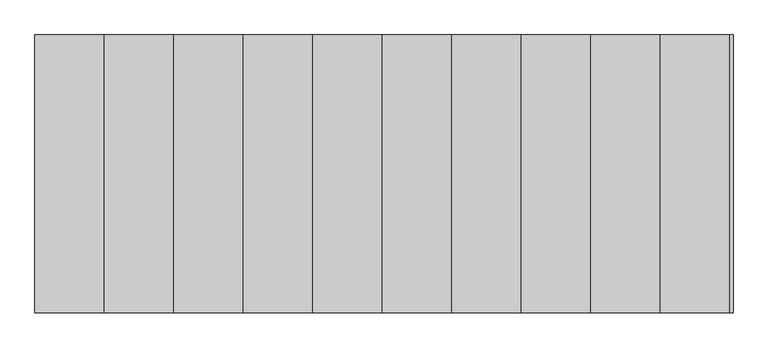
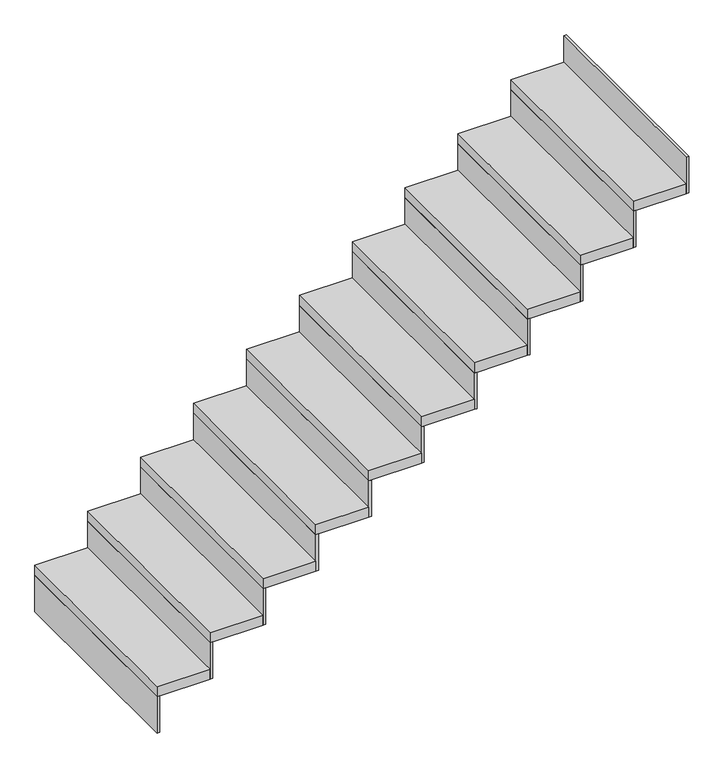
"""IFC4 building model written with IfcOpenShell, lengths in millimetres: stair flight geometry."""

from ifc_helpers import new_model, si_unit, frame, origin, place, context, project, spatial, polyline, outline, extrude, source, transform, mapped, element, save


def stair_flight_53217e8c(model_context):
    return source(origin(), model_context, "Body", "SweptSolid", [
        extrude(outline(polyline([(-4107.9675457, -17848.2676251), (-4120.4675457, -17848.2676251), (-4120.4675457, -16848.2676251), (-4107.9675457, -16848.2676251), (-4107.9675457, -17848.2676251)])), frame((0.0, 0.0, 1950.0), z_axis=(0.0, 0.0, 1.0), x_axis=(1.0, 0.0, 0.0)), (0.0, 0.0, 1.0), 181.8181818),
        extrude(outline(polyline([(-3870.4675457, -16848.2676251), (-3870.4675457, -17848.2676251), (-4120.4675457, -17848.2676251), (-4120.4675457, -16848.2676251), (-3870.4675457, -16848.2676251)])), frame((0.0, 0.0, 2131.8181818), z_axis=(0.0, 0.0, 1.0), x_axis=(1.0, 0.0, 0.0)), (0.0, 0.0, 1.0), 50.0),
        extrude(outline(polyline([(-3857.9675457, -17848.2676251), (-3870.4675457, -17848.2676251), (-3870.4675457, -16848.2676251), (-3857.9675457, -16848.2676251), (-3857.9675457, -17848.2676251)])), frame((0.0, 0.0, 2131.8181818), z_axis=(0.0, 0.0, 1.0), x_axis=(1.0, 0.0, 0.0)), (0.0, 0.0, 1.0), 181.8181818),
        extrude(outline(polyline([(-3620.4675457, -16848.2676251), (-3620.4675457, -17848.2676251), (-3870.4675457, -17848.2676251), (-3870.4675457, -16848.2676251), (-3620.4675457, -16848.2676251)])), frame((0.0, 0.0, 2313.6363636), z_axis=(0.0, 0.0, 1.0), x_axis=(1.0, 0.0, 0.0)), (0.0, 0.0, 1.0), 50.0),
        extrude(outline(polyline([(-3607.9675457, -17848.2676251), (-3620.4675457, -17848.2676251), (-3620.4675457, -16848.2676251), (-3607.9675457, -16848.2676251), (-3607.9675457, -17848.2676251)])), frame((0.0, 0.0, 2313.6363636), z_axis=(0.0, 0.0, 1.0), x_axis=(1.0, 0.0, 0.0)), (0.0, 0.0, 1.0), 181.8181818),
        extrude(outline(polyline([(-3370.4675457, -16848.2676251), (-3370.4675457, -17848.2676251), (-3620.4675457, -17848.2676251), (-3620.4675457, -16848.2676251), (-3370.4675457, -16848.2676251)])), frame((0.0, 0.0, 2495.4545455), z_axis=(0.0, 0.0, 1.0), x_axis=(1.0, 0.0, 0.0)), (0.0, 0.0, 1.0), 50.0),
        extrude(outline(polyline([(-3357.9675457, -17848.2676251), (-3370.4675457, -17848.2676251), (-3370.4675457, -16848.2676251), (-3357.9675457, -16848.2676251), (-3357.9675457, -17848.2676251)])), frame((0.0, 0.0, 2495.4545455), z_axis=(0.0, 0.0, 1.0), x_axis=(1.0, 0.0, 0.0)), (0.0, 0.0, 1.0), 181.8181818),
        extrude(outline(polyline([(-3120.4675457, -16848.2676251), (-3120.4675457, -17848.2676251), (-3370.4675457, -17848.2676251), (-3370.4675457, -16848.2676251), (-3120.4675457, -16848.2676251)])), frame((0.0, 0.0, 2677.2727273), z_axis=(0.0, 0.0, 1.0), x_axis=(1.0, 0.0, 0.0)), (0.0, 0.0, 1.0), 50.0),
        extrude(outline(polyline([(-3107.9675457, -17848.2676251), (-3120.4675457, -17848.2676251), (-3120.4675457, -16848.2676251), (-3107.9675457, -16848.2676251), (-3107.9675457, -17848.2676251)])), frame((0.0, 0.0, 2677.2727273), z_axis=(0.0, 0.0, 1.0), x_axis=(1.0, 0.0, 0.0)), (0.0, 0.0, 1.0), 181.8181818),
        extrude(outline(polyline([(-2870.4675457, -16848.2676251), (-2870.4675457, -17848.2676251), (-3120.4675457, -17848.2676251), (-3120.4675457, -16848.2676251), (-2870.4675457, -16848.2676251)])), frame((0.0, 0.0, 2859.0909091), z_axis=(0.0, 0.0, 1.0), x_axis=(1.0, 0.0, 0.0)), (0.0, 0.0, 1.0), 50.0),
        extrude(outline(polyline([(-2857.9675457, -17848.2676251), (-2870.4675457, -17848.2676251), (-2870.4675457, -16848.2676251), (-2857.9675457, -16848.2676251), (-2857.9675457, -17848.2676251)])), frame((0.0, 0.0, 2859.0909091), z_axis=(0.0, 0.0, 1.0), x_axis=(1.0, 0.0, 0.0)), (0.0, 0.0, 1.0), 181.8181818),
        extrude(outline(polyline([(-2620.4675457, -16848.2676251), (-2620.4675457, -17848.2676251), (-2870.4675457, -17848.2676251), (-2870.4675457, -16848.2676251), (-2620.4675457, -16848.2676251)])), frame((0.0, 0.0, 3040.9090909), z_axis=(0.0, 0.0, 1.0), x_axis=(1.0, 0.0, 0.0)), (0.0, 0.0, 1.0), 50.0),
        extrude(outline(polyline([(-2607.9675457, -17848.2676251), (-2620.4675457, -17848.2676251), (-2620.4675457, -16848.2676251), (-2607.9675457, -16848.2676251), (-2607.9675457, -17848.2676251)])), frame((0.0, 0.0, 3040.9090909), z_axis=(0.0, 0.0, 1.0), x_axis=(1.0, 0.0, 0.0)), (0.0, 0.0, 1.0), 181.8181818),
        extrude(outline(polyline([(-2370.4675457, -16848.2676251), (-2370.4675457, -17848.2676251), (-2620.4675457, -17848.2676251), (-2620.4675457, -16848.2676251), (-2370.4675457, -16848.2676251)])), frame((0.0, 0.0, 3222.7272727), z_axis=(0.0, 0.0, 1.0), x_axis=(1.0, 0.0, 0.0)), (0.0, 0.0, 1.0), 50.0),
        extrude(outline(polyline([(-2357.9675457, -17848.2676251), (-2370.4675457, -17848.2676251), (-2370.4675457, -16848.2676251), (-2357.9675457, -16848.2676251), (-2357.9675457, -17848.2676251)])), frame((0.0, 0.0, 3222.7272727), z_axis=(0.0, 0.0, 1.0), x_axis=(1.0, 0.0, 0.0)), (0.0, 0.0, 1.0), 181.8181818),
        extrude(outline(polyline([(-2120.4675457, -16848.2676251), (-2120.4675457, -17848.2676251), (-2370.4675457, -17848.2676251), (-2370.4675457, -16848.2676251), (-2120.4675457, -16848.2676251)])), frame((0.0, 0.0, 3404.5454545), z_axis=(0.0, 0.0, 1.0), x_axis=(1.0, 0.0, 0.0)), (0.0, 0.0, 1.0), 50.0),
        extrude(outline(polyline([(-2107.9675457, -17848.2676251), (-2120.4675457, -17848.2676251), (-2120.4675457, -16848.2676251), (-2107.9675457, -16848.2676251), (-2107.9675457, -17848.2676251)])), frame((0.0, 0.0, 3404.5454545), z_axis=(0.0, 0.0, 1.0), x_axis=(1.0, 0.0, 0.0)), (0.0, 0.0, 1.0), 181.8181818),
        extrude(outline(polyline([(-1870.4675457, -16848.2676251), (-1870.4675457, -17848.2676251), (-2120.4675457, -17848.2676251), (-2120.4675457, -16848.2676251), (-1870.4675457, -16848.2676251)])), frame((0.0, 0.0, 3586.3636364), z_axis=(0.0, 0.0, 1.0), x_axis=(1.0, 0.0, 0.0)), (0.0, 0.0, 1.0), 50.0),
        extrude(outline(polyline([(-1857.9675457, -17848.2676251), (-1870.4675457, -17848.2676251), (-1870.4675457, -16848.2676251), (-1857.9675457, -16848.2676251), (-1857.9675457, -17848.2676251)])), frame((0.0, 0.0, 3586.3636364), z_axis=(0.0, 0.0, 1.0), x_axis=(1.0, 0.0, 0.0)), (0.0, 0.0, 1.0), 181.8181818),
        extrude(outline(polyline([(-1607.9675457, -17848.2676251), (-1620.4675457, -17848.2676251), (-1620.4675457, -16848.2676251), (-1607.9675457, -16848.2676251), (-1607.9675457, -17848.2676251)])), frame((0.0, 0.0, 3768.1818182), z_axis=(0.0, 0.0, 1.0), x_axis=(1.0, 0.0, 0.0)), (0.0, 0.0, 1.0), 181.8181818),
        extrude(outline(polyline([(-1620.4675457, -16848.2676251), (-1620.4675457, -17848.2676251), (-1870.4675457, -17848.2676251), (-1870.4675457, -16848.2676251), (-1620.4675457, -16848.2676251)])), frame((0.0, 0.0, 3768.1818182), z_axis=(0.0, 0.0, 1.0), x_axis=(1.0, 0.0, 0.0)), (0.0, 0.0, 1.0), 50.0),
    ])


if __name__ == "__main__":
    model = new_model("IFC4")
    model_context = context("Model", 3, world=origin())
    ifc_project = project(units=[si_unit("LENGTHUNIT", "METRE", prefix="MILLI")], contexts=[model_context])
    site = spatial("IfcSite", under=ifc_project)
    building = spatial("IfcBuilding", under=site)
    placement = place(None, origin())
    stair_flight_shape = stair_flight_53217e8c(model_context)
    element("IfcStairFlight", 1, at=placement, inside=building, context=model_context, shape_type="MappedRepresentation", body=[
        mapped(stair_flight_shape, transform((0.0, 0.0, 0.0), x_axis=(1.0, 0.0, 0.0), y_axis=(0.0, 1.0, 0.0), z_axis=(0.0, 0.0, 1.0))),
    ])
    save(model, "model.ifc")
